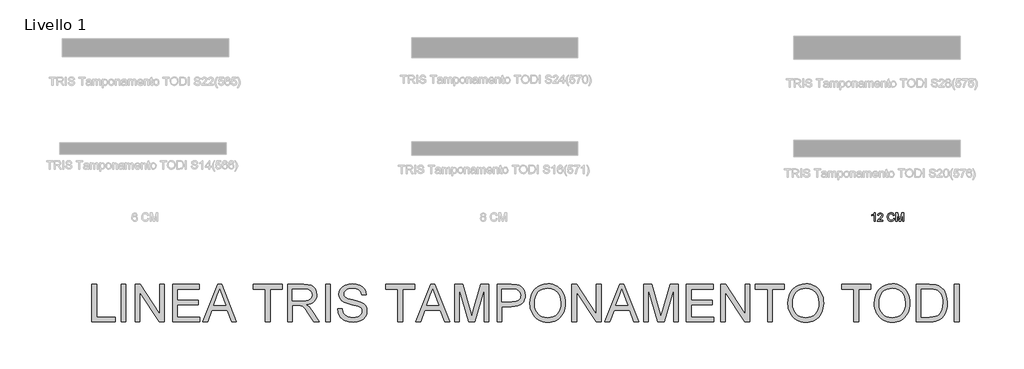
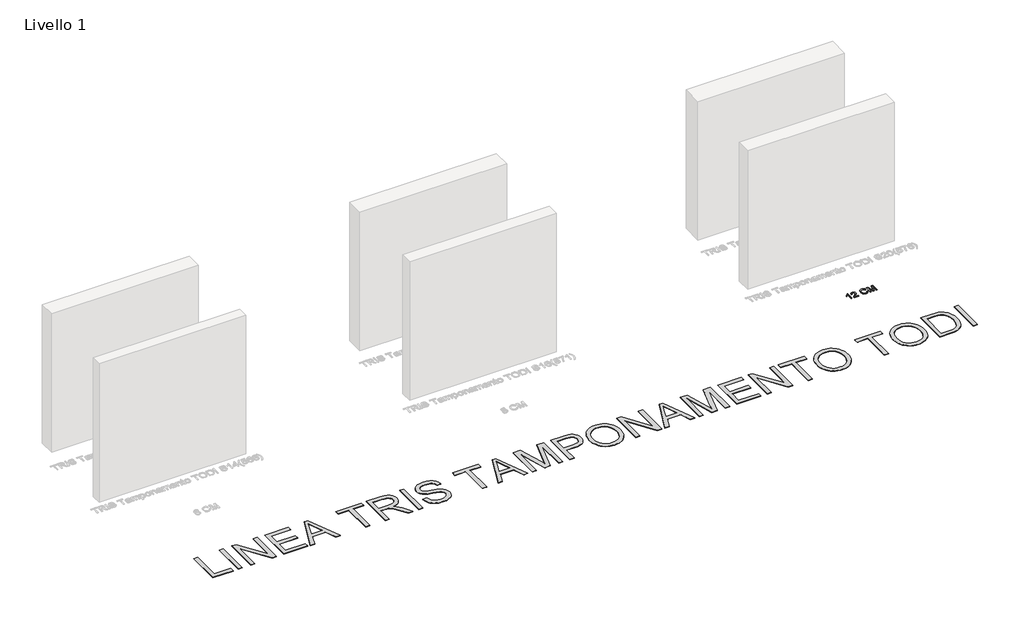
# One storey, part 8 of 18: 2 proxies.
"""IFC4 building model written with IfcOpenShell, lengths in millimetres."""

import ifcopenshell
import ifcopenshell.guid

model = None  # the IFC model being written
_history = None  # IfcOwnerHistory: only IFC2X3 demands one
_inside = {}  # id of a spatial element -> (the spatial element, [elements in it])
_under = {}  # id of a project, library or spatial element -> (it, [spatial elements below it])
_declared = {}  # id of a project -> (the project, [libraries it declares])
_typed = {}  # id of a type object -> (the type object, [elements of that type])
_made_of = {}  # id of a material, layer set ... -> (it, [elements and type objects made of it])


def new_model(schema):
    """Start an empty IFC model of exactly this schema.

    Asked for "IFC4X3", IfcOpenShell would pick the latest addendum, in which some entities
    have other attributes; the version numbers below select the first issue.
    IFC2X3 requires an IfcOwnerHistory on every rooted entity: one is made here for all.
    """
    global model, _history
    if schema == "IFC4X3":
        model = ifcopenshell.file(schema_version=(4, 3, 0, 0))
    else:
        model = ifcopenshell.file(schema=schema)
    _inside.clear()
    _under.clear()
    _declared.clear()
    _typed.clear()
    _made_of.clear()
    _history = None
    if model.schema == "IFC2X3":
        org = make("IfcOrganization", Name="unknown")
        user = make(
            "IfcPersonAndOrganization",
            ThePerson=make("IfcPerson", FamilyName="unknown"),
            TheOrganization=org,
        )
        app = make(
            "IfcApplication",
            ApplicationDeveloper=org,
            Version="unknown",
            ApplicationFullName="unknown",
            ApplicationIdentifier="unknown",
        )
        _history = make(
            "IfcOwnerHistory",
            OwningUser=user,
            OwningApplication=app,
            ChangeAction="ADDED",
            CreationDate=0,
        )
    return model


def make(cls, **values):
    """One entity of the class cls with the attributes given. An attribute that is None is left unset."""
    return model.create_entity(
        cls, **{name: value for name, value in values.items() if value is not None}
    )


def rooted(cls, **values):
    """An entity with a GlobalId (a new one), such as an element, a storey or a relation."""
    return make(cls, GlobalId=ifcopenshell.guid.new(), OwnerHistory=_history, **values)


def si_unit(unit_type, name, prefix=None):
    """IfcSIUnit, for example si_unit("LENGTHUNIT", "METRE", prefix="MILLI")."""
    return make("IfcSIUnit", UnitType=unit_type, Prefix=prefix, Name=name)


def assignment(units):
    """IfcUnitAssignment: the units of a project."""
    return None if units is None else make("IfcUnitAssignment", Units=units)


def point(xyz):
    """IfcCartesianPoint."""
    return None if xyz is None else make("IfcCartesianPoint", Coordinates=xyz)


def direction(xyz):
    """IfcDirection."""
    return None if xyz is None else make("IfcDirection", DirectionRatios=xyz)


def frame(location, z_axis=None, x_axis=None):
    """IfcAxis2Placement3D, a coordinate frame: its origin and axes. An axis left out is left unset."""
    return make(
        "IfcAxis2Placement3D",
        Location=point(location),
        Axis=direction(z_axis),
        RefDirection=direction(x_axis),
    )


def origin():
    """The frame at (0, 0, 0) with its axes left unset."""
    return frame((0.0, 0.0, 0.0))


def origin_with_axes():
    """The frame at (0, 0, 0) with the z axis (0, 0, 1) and the x axis (1, 0, 0) written out."""
    return frame((0.0, 0.0, 0.0), z_axis=(0.0, 0.0, 1.0), x_axis=(1.0, 0.0, 0.0))


def place(relative_to, where):
    """IfcLocalPlacement: puts the frame where relative to a parent placement (None: the world)."""
    return make(
        "IfcLocalPlacement", PlacementRelTo=relative_to, RelativePlacement=where
    )


def context(
    kind, dimensions, precision=None, world=None, true_north=None, identifier=None
):
    """IfcGeometricRepresentationContext, for example the 3D "Model" context."""
    return make(
        "IfcGeometricRepresentationContext",
        ContextIdentifier=identifier,
        ContextType=kind,
        CoordinateSpaceDimension=dimensions,
        Precision=precision,
        WorldCoordinateSystem=world,
        TrueNorth=true_north,
    )


def project(units=None, contexts=None):
    """IfcProject with its units and contexts."""
    return rooted(
        "IfcProject",
        Name="project",
        RepresentationContexts=contexts,
        UnitsInContext=assignment(units),
    )


def spatial(cls, under=None, at=None, **own):
    """A site, building, storey or space (cls), placed at a placement, below another one or the project."""
    s = rooted(cls, ObjectPlacement=at, **own)
    if under is not None:
        _under.setdefault(under.id(), (under, []))[1].append(s)
    return s


def polyline(points):
    """IfcPolyline through the points."""
    return make("IfcPolyline", Points=[point(p) for p in points])


def outline(outer, holes=None, kind="AREA"):
    """IfcArbitraryClosedProfileDef: a profile drawn as a closed curve; with holes, ...WithVoids."""
    if holes is None:
        return make("IfcArbitraryClosedProfileDef", ProfileType=kind, OuterCurve=outer)
    return make(
        "IfcArbitraryProfileDefWithVoids",
        ProfileType=kind,
        OuterCurve=outer,
        InnerCurves=holes,
    )


def extrude(swept, where, along, depth):
    """IfcExtrudedAreaSolid: the profile swept, set in the frame where, extruded along a direction by depth."""
    return make(
        "IfcExtrudedAreaSolid",
        SweptArea=swept,
        Position=where,
        ExtrudedDirection=direction(along),
        Depth=depth,
    )


def shape(context_of_items, identifier, shape_type, items):
    """IfcShapeRepresentation: the items that make up one representation, for example the "Body"."""
    return make(
        "IfcShapeRepresentation",
        ContextOfItems=context_of_items,
        RepresentationIdentifier=identifier,
        RepresentationType=shape_type,
        Items=items,
    )


def made_of(thing, what):
    """Note that an element or type object is made of a material, layer set ...; save() writes the relation."""
    if what is not None:
        _made_of.setdefault(what.id(), (what, []))[1].append(thing)
    return thing


def element(
    cls,
    number,
    at=None,
    inside=None,
    cuts=None,
    type_object=None,
    material=None,
    context=None,
    identifier="Body",
    shape_type=None,
    held_by="IfcProductDefinitionShape",
    body=None,
    shapes=None,
    **own,
):
    """One element of the class cls, such as IfcWall. Its Tag is "e" and its number.

    at: its placement. inside: the storey or other place that contains it. cuts: it is an
    opening in that element (IfcRelVoidsElement). A single representation is given by context,
    identifier, shape_type and body (its items); several are given by shapes. held_by: the class
    of the entity that holds the representations. save() writes the other relations.
    """
    e = rooted(cls, Tag="e%d" % number, ObjectPlacement=at, **own)
    if body is not None:
        shapes = [shape(context, identifier, shape_type, body)]
    if shapes is not None:
        e.Representation = make(held_by, Representations=shapes)
    if inside is not None:
        _inside.setdefault(inside.id(), (inside, []))[1].append(e)
    if cuts is not None:
        rooted(
            "IfcRelVoidsElement", RelatingBuildingElement=cuts, RelatedOpeningElement=e
        )
    if type_object is not None:
        _typed.setdefault(type_object.id(), (type_object, []))[1].append(e)
    return made_of(e, material)


def aggregate(whole, parts):
    """IfcRelAggregates: a whole, such as a stair, and the parts it consists of."""
    return rooted("IfcRelAggregates", RelatingObject=whole, RelatedObjects=parts)


def save(model, path):
    """Write the relations noted so far, then the file.

    IfcRelAggregates (storeys below a building ...), IfcRelContainedInSpatialStructure (elements
    in a storey), IfcRelDefinesByType, IfcRelAssociatesMaterial and IfcRelDeclares: one each for
    every whole, place, type object, material and project.
    """
    for whole, parts in _under.values():
        aggregate(whole, parts)
    for where, things in _inside.values():
        rooted(
            "IfcRelContainedInSpatialStructure",
            RelatedElements=things,
            RelatingStructure=where,
        )
    for kind, things in _typed.values():
        rooted("IfcRelDefinesByType", RelatedObjects=things, RelatingType=kind)
    for what, things in _made_of.values():
        rooted("IfcRelAssociatesMaterial", RelatedObjects=things, RelatingMaterial=what)
    for by, libraries in _declared.values():
        rooted("IfcRelDeclares", RelatingContext=by, RelatedDefinitions=libraries)
    model.write(path)


model = new_model("IFC4")

# Units and contexts
model_context = context("Model", 3, world=origin())
ifc_project = project(units=[si_unit("LENGTHUNIT", "METRE", prefix="MILLI")], contexts=[model_context])

# Site, building, storey
site = spatial("IfcSite", under=ifc_project)
building = spatial("IfcBuilding", under=site)
storey = spatial("IfcBuildingStorey", under=building, Name="Livello 1", Elevation=0.0)

# Proxies
placement = place(None, origin())
element("IfcBuildingElementProxy", 1, Name="100", ObjectType="100", at=placement, inside=storey, context=model_context, shape_type="SweptSolid", body=[
    extrude(outline(polyline([(4358.4239856, -4837.2588266), (4345.8669468, -4837.2588266), (4345.8669468, -4758.973538), (4333.9720956, -4767.4470866), (4320.7528693, -4773.7869197), (4320.7528693, -4761.916594), (4339.1592318, -4750.1688956), (4350.3305817, -4736.8025164), (4358.4239856, -4736.8025164), (4358.4239856, -4837.2588266)])), origin_with_axes(), (0.0, 0.0, 1.0), 5.0),
    extrude(outline(polyline([(4452.6017764, -4824.7017878), (4452.6017764, -4837.2588266), (4386.6773228, -4837.2588266), (4388.0262235, -4828.601337), (4395.6536435, -4815.271746), (4411.3744674, -4800.7158817), (4433.0549797, -4779.7956589), (4438.4751077, -4765.5708885), (4433.361548, -4754.056182), (4420.0074316, -4749.3595552), (4406.0892294, -4753.9458174), (4400.8039914, -4766.6254835), (4388.2469527, -4765.0558537), (4391.2911762, -4752.9096165), (4397.8731982, -4744.037529), (4407.6496622, -4738.6112696), (4420.2772117, -4736.8025164), (4432.9967317, -4738.8136047), (4442.7548016, -4744.8468694), (4448.9628103, -4753.8599783), (4451.0321465, -4764.810599), (4448.8003291, -4776.7177129), (4441.3813755, -4789.029497), (4423.3919459, -4806.2341117), (4408.9464463, -4818.3129038), (4403.2810635, -4824.7017878), (4452.6017764, -4824.7017878)])), origin_with_axes(), (0.0, 0.0, 1.0), 5.0),
    extrude(outline(polyline([(4579.7417939, -4801.5497476), (4592.2988327, -4804.7871092), (4586.5046912, -4819.4196155), (4577.4118746, -4830.1096532), (4565.4679725, -4836.6487556), (4551.1205747, -4838.8284564), (4536.5555133, -4837.1791188), (4524.9886903, -4832.231106), (4516.1227342, -4824.1560962), (4509.6602738, -4813.1257677), (4504.3995613, -4786.2703821), (4505.8864177, -4771.6225473), (4510.3469869, -4758.973538), (4517.5482769, -4748.7249588), (4527.2572959, -4741.2784141), (4538.7720024, -4736.7442685), (4551.3903548, -4735.2328866), (4565.1583385, -4737.1887925), (4576.5412205, -4743.0565104), (4585.1833817, -4752.4742894), (4590.7292028, -4765.0803791), (4578.172164, -4768.072486), (4567.8714682, -4752.633705), (4550.8998455, -4747.7899254), (4531.2549469, -4753.1610025), (4520.1571734, -4767.5819767), (4516.9566, -4786.2458566), (4520.7457846, -4807.8773179), (4532.5425339, -4821.6974182), (4549.8697759, -4826.2714177), (4560.3513471, -4824.7140506), (4569.0854788, -4820.0419492), (4575.6797635, -4812.3041646), (4579.7417939, -4801.5497476)])), origin_with_axes(), (0.0, 0.0, 1.0), 5.0),
    extrude(outline(polyline([(4609.564761, -4837.2588266), (4609.564761, -4736.8025164), (4631.1716968, -4736.8025164), (4651.7240376, -4807.6075378), (4655.8688414, -4822.396394), (4660.3570018, -4806.3812645), (4680.565986, -4736.8025164), (4702.1729219, -4736.8025164), (4702.1729219, -4837.2588266), (4689.6158831, -4837.2588266), (4689.6158831, -4749.3595552), (4664.3791782, -4837.2588266), (4647.3585046, -4837.2588266), (4622.1217997, -4749.3595552), (4622.1217997, -4837.2588266), (4609.564761, -4837.2588266)])), origin_with_axes(), (0.0, 0.0, 1.0), 5.0),
])
element("IfcBuildingElementProxy", 2, Name="450mm", ObjectType="450mm", at=placement, inside=storey, context=model_context, shape_type="SweptSolid", body=[
    extrude(outline(polyline([(-5065.373595, -6046.8758818), (-5065.373595, -5597.219739), (-5009.1665772, -5597.219739), (-5009.1665772, -5990.668864), (-4784.3385057, -5990.668864), (-4784.3385057, -6046.8758818), (-5065.373595, -6046.8758818)])), origin_with_axes(), (0.0, 0.0, 1.0), 5.0),
    extrude(outline(polyline([(-4714.0797334, -6046.8758818), (-4714.0797334, -5597.219739), (-4657.8727156, -5597.219739), (-4657.8727156, -6046.8758818), (-4714.0797334, -6046.8758818)])), origin_with_axes(), (0.0, 0.0, 1.0), 5.0),
    extrude(outline(polyline([(-4545.4586799, -6046.8758818), (-4545.4586799, -5597.219739), (-4485.2996061, -5597.219739), (-4250.3718361, -5953.4536705), (-4250.3718361, -5597.219739), (-4194.1648183, -5597.219739), (-4194.1648183, -6046.8758818), (-4254.3238921, -6046.8758818), (-4489.251662, -5690.532171), (-4489.251662, -6046.8758818), (-4545.4586799, -6046.8758818)])), origin_with_axes(), (0.0, 0.0, 1.0), 5.0),
    extrude(outline(polyline([(-4095.8025371, -6046.8758818), (-4095.8025371, -5597.219739), (-3772.6121844, -5597.219739), (-3772.6121844, -5653.4267569), (-4039.5955192, -5653.4267569), (-4039.5955192, -5786.9184243), (-3786.6639389, -5786.9184243), (-3786.6639389, -5843.1254421), (-4039.5955192, -5843.1254421), (-4039.5955192, -5990.668864), (-3765.5863072, -5990.668864), (-3765.5863072, -6046.8758818), (-4095.8025371, -6046.8758818)])), origin_with_axes(), (0.0, 0.0, 1.0), 5.0),
    extrude(outline(polyline([(-3733.6405216, -6046.8758818), (-3554.1513142, -5597.219739), (-3506.2875256, -5597.219739), (-3326.7983182, -6046.8758818), (-3386.1889367, -6046.8758818), (-3437.6754433, -5906.3583372), (-3622.8731759, -5906.3583372), (-3674.2499032, -6046.8758818), (-3733.6405216, -6046.8758818)]), holes=[polyline([(-3602.2346615, -5850.1513193), (-3458.2041783, -5850.1513193), (-3498.7127517, -5739.6035323), (-3530.2194199, -5653.4267569), (-3558.2131495, -5729.9429511), (-3602.2346615, -5850.1513193)])]), origin_with_axes(), (0.0, 0.0, 1.0), 5.0),
    extrude(outline(polyline([(-2978.6880572, -6046.8758818), (-2978.6880572, -5653.4267569), (-3126.2314791, -5653.4267569), (-3126.2314791, -5597.219739), (-2774.9376175, -5597.219739), (-2774.9376175, -5653.4267569), (-2922.4810394, -5653.4267569), (-2922.4810394, -6046.8758818), (-2978.6880572, -6046.8758818)])), origin_with_axes(), (0.0, 0.0, 1.0), 5.0),
    extrude(outline(polyline([(-2711.7047224, -6046.8758818), (-2711.7047224, -5597.219739), (-2517.9442019, -5597.219739), (-2465.8676314, -5600.2523931), (-2427.9800396, -5609.3503552), (-2400.2882031, -5626.1465929), (-2378.7988989, -5652.2740739), (-2365.0078704, -5684.6726992), (-2360.4108609, -5720.2823699), (-2362.3148462, -5743.3771968), (-2368.026802, -5764.5783303), (-2377.5467284, -5783.8857702), (-2390.8746254, -5801.2995167), (-2408.1820232, -5816.2638119), (-2429.6404519, -5828.2228978), (-2455.2499117, -5837.1767746), (-2485.0104024, -5843.1254421), (-2453.0646169, -5867.1671158), (-2407.5061942, -5925.0208236), (-2332.5269106, -6046.8758818), (-2397.845613, -6046.8758818), (-2456.3579968, -5953.6732292), (-2498.6230395, -5891.9772447), (-2514.3352064, -5873.9871568), (-2528.3183488, -5862.8308322), (-2555.049616, -5852.1273473), (-2587.6540776, -5850.1513193), (-2655.4977046, -5850.1513193), (-2655.4977046, -6046.8758818), (-2711.7047224, -6046.8758818)]), holes=[polyline([(-2655.4977046, -5793.9443015), (-2529.6905904, -5793.9443015), (-2493.5594679, -5791.9545511), (-2465.524571, -5785.9852999), (-2444.4194945, -5775.6385979), (-2429.0778329, -5760.516495), (-2419.7328673, -5742.2245138), (-2416.6178787, -5722.3681772), (-2418.1033303, -5707.993946), (-2422.5596851, -5694.9507891), (-2440.385104, -5672.8576986), (-2453.9943106, -5664.3566616), (-2471.0547048, -5658.2844923), (-2515.5290566, -5653.4267569), (-2655.4977046, -5653.4267569), (-2655.4977046, -5793.9443015)])]), origin_with_axes(), (0.0, 0.0, 1.0), 5.0),
    extrude(outline(polyline([(-2255.0227024, -6046.8758818), (-2255.0227024, -5597.219739), (-2198.8156845, -5597.219739), (-2198.8156845, -6046.8758818), (-2255.0227024, -6046.8758818)])), origin_with_axes(), (0.0, 0.0, 1.0), 5.0),
    extrude(outline(polyline([(-2107.4792805, -5892.3065827), (-2051.2722627, -5892.3065827), (-2044.8227269, -5923.4976354), (-2033.1586729, -5948.5684903), (-2014.9627487, -5968.4659941), (-1988.9176023, -5984.1369937), (-1957.081596, -5994.3053043), (-1921.5130926, -5997.6947412), (-1890.1985382, -5995.1286493), (-1862.7811501, -5987.4303737), (-1840.5645578, -5975.2448679), (-1824.852391, -5959.2170854), (-1815.5074253, -5940.815325), (-1812.3924368, -5921.507885), (-1814.7252476, -5902.694452), (-1821.72368, -5886.4333885), (-1835.9401035, -5872.5600254), (-1859.9268875, -5860.9096939), (-1941.7673793, -5839.4478345), (-1995.4906397, -5825.2451335), (-2029.865293, -5811.7285532), (-2057.8453002, -5792.8190633), (-2077.674192, -5769.9026278), (-2089.4891925, -5743.4732537), (-2093.4275261, -5714.024948), (-2088.5560682, -5681.1048709), (-2073.9416947, -5650.4078252), (-2049.9686331, -5624.3901236), (-2017.0211112, -5605.5080786), (-1977.4731069, -5594.022416), (-1933.6985984, -5590.1938618), (-1886.2739271, -5594.2008074), (-1844.7773397, -5606.2216442), (-1810.6908572, -5626.0093688), (-1785.4965005, -5653.3169775), (-1769.5510526, -5686.4428909), (-1763.2112962, -5723.6855292), (-1819.418314, -5723.6855292), (-1823.1782562, -5705.7503309), (-1829.7375712, -5690.1479433), (-1839.0962593, -5676.8783666), (-1851.2543202, -5665.9416007), (-1866.4381741, -5657.3925352), (-1884.8742406, -5651.2860599), (-1931.5030118, -5646.4008796), (-1979.2295762, -5651.2311702), (-1997.4735289, -5657.2690335), (-2011.9712619, -5665.722042), (-2030.9081966, -5687.0466772), (-2035.6424303, -5699.2115994), (-2037.2205082, -5712.378258), (-2032.7470004, -5733.9773415), (-2019.3264771, -5751.3499208), (-1987.6002503, -5766.8836962), (-1927.5509558, -5782.7468097), (-1865.580523, -5797.8140229), (-1828.0908812, -5810.9600979), (-1796.0490388, -5831.3516088), (-1773.6952224, -5856.5185206), (-1760.5628698, -5886.186385), (-1756.185419, -5920.0807537), (-1761.2215458, -5954.7298553), (-1776.3299263, -5987.3205944), (-1800.8930518, -6015.3692136), (-1834.2934135, -6036.3919557), (-1874.4589265, -6049.5243082), (-1919.3175059, -6053.9017591), (-1974.3855632, -6049.1812478), (-2019.7107048, -6035.019714), (-2038.8500452, -6024.3848412), (-2055.8143825, -6011.362268), (-2070.6037169, -5995.9519943), (-2083.2180482, -5978.1540202), (-2100.8101861, -5937.7003364), (-2107.4792805, -5892.3065827)])), origin_with_axes(), (0.0, 0.0, 1.0), 5.0),
    extrude(outline(polyline([(-1383.8139257, -6046.8758818), (-1383.8139257, -5653.4267569), (-1531.3573475, -5653.4267569), (-1531.3573475, -5597.219739), (-1180.063486, -5597.219739), (-1180.063486, -5653.4267569), (-1327.6069078, -5653.4267569), (-1327.6069078, -6046.8758818), (-1383.8139257, -6046.8758818)])), origin_with_axes(), (0.0, 0.0, 1.0), 5.0),
    extrude(outline(polyline([(-1169.1953321, -6046.8758818), (-989.7061247, -5597.219739), (-941.8423361, -5597.219739), (-762.3531287, -6046.8758818), (-821.7437472, -6046.8758818), (-873.2302538, -5906.3583372), (-1058.4279864, -5906.3583372), (-1109.8047137, -6046.8758818), (-1169.1953321, -6046.8758818)]), holes=[polyline([(-1037.789472, -5850.1513193), (-893.7589888, -5850.1513193), (-934.2675622, -5739.6035323), (-965.7742304, -5653.4267569), (-993.76796, -5729.9429511), (-1037.789472, -5850.1513193)])]), origin_with_axes(), (0.0, 0.0, 1.0), 5.0),
    extrude(outline(polyline([(-702.3038342, -6046.8758818), (-702.3038342, -5597.219739), (-605.588243, -5597.219739), (-513.593163, -5914.1526698), (-495.0404559, -5980.3496068), (-474.9508382, -5908.6637032), (-384.4926688, -5597.219739), (-287.7770776, -5597.219739), (-287.7770776, -6046.8758818), (-343.9840954, -6046.8758818), (-343.9840954, -5653.4267569), (-456.9470278, -6046.8758818), (-533.133884, -6046.8758818), (-646.0968164, -5653.4267569), (-646.0968164, -6046.8758818), (-702.3038342, -6046.8758818)])), origin_with_axes(), (0.0, 0.0, 1.0), 5.0),
    extrude(outline(polyline([(-189.4147963, -6046.8758818), (-189.4147963, -5597.219739), (-22.7697707, -5597.219739), (44.4151803, -5601.501133), (74.3712154, -5609.5013018), (99.0303978, -5622.523875), (118.8867345, -5641.1589165), (134.4342323, -5665.9964904), (144.4790412, -5695.2938495), (147.8273108, -5727.3082471), (145.5665427, -5754.9108879), (138.7842383, -5780.3042195), (127.4803978, -5803.4882422), (111.655021, -5824.4629557), (89.9290051, -5841.8492574), (60.9232473, -5854.2680443), (24.6377475, -5861.7193164), (-18.9274941, -5864.2030738), (-133.2077785, -5864.2030738), (-133.2077785, -6046.8758818), (-189.4147963, -6046.8758818)]), holes=[polyline([(-133.2077785, -5807.996056), (-15.6341142, -5807.996056), (34.2057024, -5802.8364274), (52.7858543, -5796.3868916), (67.139502, -5787.3575416), (77.849848, -5775.9885195), (85.5000952, -5762.5199678), (90.0902435, -5746.9518863), (91.6202929, -5729.2842751), (88.0112974, -5704.0350288), (77.1843108, -5682.7378384), (60.48413, -5666.710056), (39.2555517, -5657.2690335), (-16.9514662, -5653.4267569), (-133.2077785, -5653.4267569), (-133.2077785, -5807.996056)])]), origin_with_axes(), (0.0, 0.0, 1.0), 5.0),
    extrude(outline(polyline([(204.0343286, -5827.9758943), (207.7805483, -5775.2337866), (219.0192074, -5728.5432646), (237.7503059, -5687.9043282), (263.9738438, -5653.3169775), (296.1186043, -5625.7006144), (332.6133709, -5605.9746407), (373.4581436, -5594.1390565), (418.6529222, -5590.1938618), (448.9039893, -5592.046388), (477.6318682, -5597.6039667), (504.8365588, -5606.8665978), (530.5180612, -5619.8342814), (553.9559486, -5636.1159285), (574.4297939, -5655.3204503), (591.9395973, -5677.4478469), (606.4853588, -5702.4981182), (617.9161317, -5729.9017838), (626.0809695, -5759.0893637), (630.9798722, -5790.0608576), (632.6128398, -5822.8162657), (630.8941071, -5856.00393), (625.7379091, -5887.3939576), (617.1442458, -5916.9863488), (605.1131172, -5944.7811033), (589.9292633, -5970.044072), (571.8774245, -5992.0411056), (550.9576006, -6010.7722041), (527.1697916, -6026.2373675), (501.4505526, -6038.3405388), (474.7364383, -6046.9856612), (447.0274488, -6052.1727346), (418.3235842, -6053.9017591), (387.5442041, -6051.9909126), (358.4389587, -6046.2583731), (331.0078482, -6036.7041406), (305.2508725, -6023.3282152), (281.84043, -6006.648618), (261.4489191, -5987.1833702), (244.0763399, -5964.9324719), (229.7226923, -5939.895923), (218.4840332, -5913.0788907), (210.4564195, -5885.4865418), (205.6398514, -5857.1188763), (204.0343286, -5827.9758943)]), holes=[polyline([(260.2413465, -5828.524791), (263.0510113, -5865.7880129), (271.4800056, -5898.8658978), (285.5283294, -5927.7584457), (305.1959828, -5952.4656565), (329.1038629, -5972.2533811), (355.8728669, -5986.38747), (385.5029946, -5994.8679234), (417.9942462, -5997.6947412), (451.0412557, -5994.8404786), (481.021305, -5986.2776907), (507.9343943, -5972.0063776), (531.7805236, -5952.0265392), (551.3040916, -5926.7978765), (565.2494973, -5896.7800905), (573.6167408, -5861.9731811), (576.4058219, -5822.3771484), (571.630421, -5772.6196663), (557.3042182, -5729.6136131), (533.7977188, -5694.4430597), (501.481428, -5668.192077), (462.4960428, -5651.848679), (418.9822602, -5646.4008796), (387.6196774, -5649.0252918), (358.5212932, -5656.8985282), (331.6871078, -5670.020589), (307.1171211, -5688.391474), (286.6089697, -5712.8962792), (271.9602902, -5744.4201005), (263.1710824, -5782.9629377), (260.2413465, -5828.524791)])]), origin_with_axes(), (0.0, 0.0, 1.0), 5.0),
    extrude(outline(polyline([(709.8974893, -6046.8758818), (709.8974893, -5597.219739), (770.0565631, -5597.219739), (1004.984333, -5953.4536705), (1004.984333, -5597.219739), (1061.1913509, -5597.219739), (1061.1913509, -6046.8758818), (1001.0322771, -6046.8758818), (766.1045072, -5690.532171), (766.1045072, -6046.8758818), (709.8974893, -6046.8758818)])), origin_with_axes(), (0.0, 0.0, 1.0), 5.0),
    extrude(outline(polyline([(1107.1888909, -6046.8758818), (1286.6780983, -5597.219739), (1334.5418869, -5597.219739), (1514.0310943, -6046.8758818), (1454.6404758, -6046.8758818), (1403.1539693, -5906.3583372), (1217.9562366, -5906.3583372), (1166.5795094, -6046.8758818), (1107.1888909, -6046.8758818)]), holes=[polyline([(1238.594751, -5850.1513193), (1382.6252342, -5850.1513193), (1342.1166608, -5739.6035323), (1310.6099926, -5653.4267569), (1282.616263, -5729.9429511), (1238.594751, -5850.1513193)])]), origin_with_axes(), (0.0, 0.0, 1.0), 5.0),
    extrude(outline(polyline([(1574.0803888, -6046.8758818), (1574.0803888, -5597.219739), (1670.79598, -5597.219739), (1762.79106, -5914.1526698), (1781.3437671, -5980.3496068), (1801.4333848, -5908.6637032), (1891.8915542, -5597.219739), (1988.6071454, -5597.219739), (1988.6071454, -6046.8758818), (1932.4001276, -6046.8758818), (1932.4001276, -5653.4267569), (1819.4371952, -6046.8758818), (1743.250339, -6046.8758818), (1630.2874066, -5653.4267569), (1630.2874066, -6046.8758818), (1574.0803888, -6046.8758818)])), origin_with_axes(), (0.0, 0.0, 1.0), 5.0),
    extrude(outline(polyline([(2086.9694267, -6046.8758818), (2086.9694267, -5597.219739), (2410.1597793, -5597.219739), (2410.1597793, -5653.4267569), (2143.1764445, -5653.4267569), (2143.1764445, -5786.9184243), (2396.1080249, -5786.9184243), (2396.1080249, -5843.1254421), (2143.1764445, -5843.1254421), (2143.1764445, -5990.668864), (2417.1856566, -5990.668864), (2417.1856566, -6046.8758818), (2086.9694267, -6046.8758818)])), origin_with_axes(), (0.0, 0.0, 1.0), 5.0),
    extrude(outline(polyline([(2501.4961833, -6046.8758818), (2501.4961833, -5597.219739), (2561.6552571, -5597.219739), (2796.5830271, -5953.4536705), (2796.5830271, -5597.219739), (2852.7900449, -5597.219739), (2852.7900449, -6046.8758818), (2792.6309711, -6046.8758818), (2557.7032012, -5690.532171), (2557.7032012, -6046.8758818), (2501.4961833, -6046.8758818)])), origin_with_axes(), (0.0, 0.0, 1.0), 5.0),
    extrude(outline(polyline([(3063.5663619, -6046.8758818), (3063.5663619, -5653.4267569), (2916.02294, -5653.4267569), (2916.02294, -5597.219739), (3267.3168016, -5597.219739), (3267.3168016, -5653.4267569), (3119.7733797, -5653.4267569), (3119.7733797, -6046.8758818), (3063.5663619, -6046.8758818)])), origin_with_axes(), (0.0, 0.0, 1.0), 5.0),
    extrude(outline(polyline([(3309.472065, -5827.9758943), (3313.2182847, -5775.2337866), (3324.4569438, -5728.5432646), (3343.1880422, -5687.9043282), (3369.4115801, -5653.3169775), (3401.5563407, -5625.7006144), (3438.0511073, -5605.9746407), (3478.8958799, -5594.1390565), (3524.0906585, -5590.1938618), (3554.3417256, -5592.046388), (3583.0696045, -5597.6039667), (3610.2742952, -5606.8665978), (3635.9557976, -5619.8342814), (3659.3936849, -5636.1159285), (3679.8675303, -5655.3204503), (3697.3773337, -5677.4478469), (3711.9230951, -5702.4981182), (3723.3538681, -5729.9017838), (3731.5187059, -5759.0893637), (3736.4176085, -5790.0608576), (3738.0505761, -5822.8162657), (3736.3318434, -5856.00393), (3731.1756454, -5887.3939576), (3722.5819821, -5916.9863488), (3710.5508535, -5944.7811033), (3695.3669997, -5970.044072), (3677.3151608, -5992.0411056), (3656.3953369, -6010.7722041), (3632.607528, -6026.2373675), (3606.8882889, -6038.3405388), (3580.1741746, -6046.9856612), (3552.4651852, -6052.1727346), (3523.7613205, -6053.9017591), (3492.9819404, -6051.9909126), (3463.8766951, -6046.2583731), (3436.4455845, -6036.7041406), (3410.6886088, -6023.3282152), (3387.2781663, -6006.648618), (3366.8866555, -5987.1833702), (3349.5140762, -5964.9324719), (3335.1604286, -5939.895923), (3323.9217695, -5913.0788907), (3315.8941559, -5885.4865418), (3311.0775877, -5857.1188763), (3309.472065, -5827.9758943)]), holes=[polyline([(3365.6790828, -5828.524791), (3368.4887476, -5865.7880129), (3376.9177419, -5898.8658978), (3390.9660658, -5927.7584457), (3410.6337192, -5952.4656565), (3434.5415993, -5972.2533811), (3461.3106032, -5986.38747), (3490.9407309, -5994.8679234), (3523.4319825, -5997.6947412), (3556.478992, -5994.8404786), (3586.4590414, -5986.2776907), (3613.3721307, -5972.0063776), (3637.2182599, -5952.0265392), (3656.7418279, -5926.7978765), (3670.6872337, -5896.7800905), (3679.0544771, -5861.9731811), (3681.8435582, -5822.3771484), (3677.0681573, -5772.6196663), (3662.7419545, -5729.6136131), (3639.2354551, -5694.4430597), (3606.9191643, -5668.192077), (3567.9337791, -5651.848679), (3524.4199965, -5646.4008796), (3493.0574137, -5649.0252918), (3463.9590296, -5656.8985282), (3437.1248442, -5670.020589), (3412.5548575, -5688.391474), (3392.0467061, -5712.8962792), (3377.3980265, -5744.4201005), (3368.6088187, -5782.9629377), (3365.6790828, -5828.524791)])]), origin_with_axes(), (0.0, 0.0, 1.0), 5.0),
    extrude(outline(polyline([(4103.3961921, -6046.8758818), (4103.3961921, -5653.4267569), (3955.8527703, -5653.4267569), (3955.8527703, -5597.219739), (4307.1466318, -5597.219739), (4307.1466318, -5653.4267569), (4159.60321, -5653.4267569), (4159.60321, -6046.8758818), (4103.3961921, -6046.8758818)])), origin_with_axes(), (0.0, 0.0, 1.0), 5.0),
    extrude(outline(polyline([(4349.3018952, -5827.9758943), (4353.0481149, -5775.2337866), (4364.286774, -5728.5432646), (4383.0178725, -5687.9043282), (4409.2414104, -5653.3169775), (4441.3861709, -5625.7006144), (4477.8809375, -5605.9746407), (4518.7257102, -5594.1390565), (4563.9204888, -5590.1938618), (4594.1715559, -5592.046388), (4622.8994348, -5597.6039667), (4650.1041254, -5606.8665978), (4675.7856278, -5619.8342814), (4699.2235152, -5636.1159285), (4719.6973605, -5655.3204503), (4737.2071639, -5677.4478469), (4751.7529254, -5702.4981182), (4763.1836983, -5729.9017838), (4771.3485361, -5759.0893637), (4776.2474388, -5790.0608576), (4777.8804064, -5822.8162657), (4776.1616737, -5856.00393), (4771.0054757, -5887.3939576), (4762.4118124, -5916.9863488), (4750.3806838, -5944.7811033), (4735.1968299, -5970.044072), (4717.1449911, -5992.0411056), (4696.2251672, -6010.7722041), (4672.4373582, -6026.2373675), (4646.7181192, -6038.3405388), (4620.0040049, -6046.9856612), (4592.2950154, -6052.1727346), (4563.5911508, -6053.9017591), (4532.8117707, -6051.9909126), (4503.7065253, -6046.2583731), (4476.2754148, -6036.7041406), (4450.5184391, -6023.3282152), (4427.1079966, -6006.648618), (4406.7164857, -5987.1833702), (4389.3439065, -5964.9324719), (4374.9902589, -5939.895923), (4363.7515998, -5913.0788907), (4355.7239861, -5885.4865418), (4350.907418, -5857.1188763), (4349.3018952, -5827.9758943)]), holes=[polyline([(4405.5089131, -5828.524791), (4408.3185779, -5865.7880129), (4416.7475722, -5898.8658978), (4430.795896, -5927.7584457), (4450.4635494, -5952.4656565), (4474.3714295, -5972.2533811), (4501.1404335, -5986.38747), (4530.7705612, -5994.8679234), (4563.2618128, -5997.6947412), (4596.3088223, -5994.8404786), (4626.2888716, -5986.2776907), (4653.2019609, -5972.0063776), (4677.0480902, -5952.0265392), (4696.5716582, -5926.7978765), (4710.5170639, -5896.7800905), (4718.8843074, -5861.9731811), (4721.6733885, -5822.3771484), (4716.8979876, -5772.6196663), (4702.5717848, -5729.6136131), (4679.0652854, -5694.4430597), (4646.7489946, -5668.192077), (4607.7636094, -5651.848679), (4564.2498268, -5646.4008796), (4532.8872439, -5649.0252918), (4503.7888598, -5656.8985282), (4476.9546744, -5670.020589), (4452.3846877, -5688.391474), (4431.8765363, -5712.8962792), (4417.2278568, -5744.4201005), (4408.438649, -5782.9629377), (4405.5089131, -5828.524791)])]), origin_with_axes(), (0.0, 0.0, 1.0), 5.0),
    extrude(outline(polyline([(4855.1650559, -6046.8758818), (4855.1650559, -5597.219739), (5010.2832517, -5597.219739), (5056.6375745, -5598.8389842), (5090.5319432, -5603.6967196), (5126.374895, -5616.1841186), (5156.6191009, -5635.8620638), (5187.7140966, -5670.1132153), (5209.8620768, -5712.707596), (5223.1179311, -5762.8218609), (5227.5365492, -5819.6326651), (5224.5450624, -5867.8944038), (5215.570602, -5910.3652828), (5201.9030752, -5946.5238502), (5184.8323891, -5975.8486542), (5165.1818887, -5998.9983708), (5143.7749191, -6016.6316759), (5119.1980712, -6029.7091388), (5090.0379362, -6039.1913286), (5056.2396244, -6044.9547435), (5017.7482462, -6046.8758818), (4855.1650559, -6046.8758818)]), holes=[polyline([(4911.3720738, -5990.668864), (5010.8321483, -5990.668864), (5051.9719529, -5988.6379463), (5083.1767279, -5982.5451934), (5106.7243946, -5972.7473881), (5124.892874, -5959.6013131), (5144.4198726, -5935.2714687), (5159.0891358, -5903.7785229), (5168.2694325, -5864.9852516), (5171.3295313, -5818.7544305), (5169.8303573, -5786.1225241), (5165.3328353, -5757.4975634), (5157.8369653, -5732.8795482), (5147.3427473, -5712.2684787), (5120.7624266, -5681.2009278), (5105.5271138, -5670.2778843), (5088.9950325, -5662.4286621), (5056.6650193, -5655.6772332), (5009.2952377, -5653.4267569), (4911.3720738, -5653.4267569), (4911.3720738, -5990.668864)])]), origin_with_axes(), (0.0, 0.0, 1.0), 5.0),
    extrude(outline(polyline([(5311.847076, -6046.8758818), (5311.847076, -5597.219739), (5368.0540938, -5597.219739), (5368.0540938, -6046.8758818), (5311.847076, -6046.8758818)])), origin_with_axes(), (0.0, 0.0, 1.0), 5.0),
])

save(model, "model.ifc")
